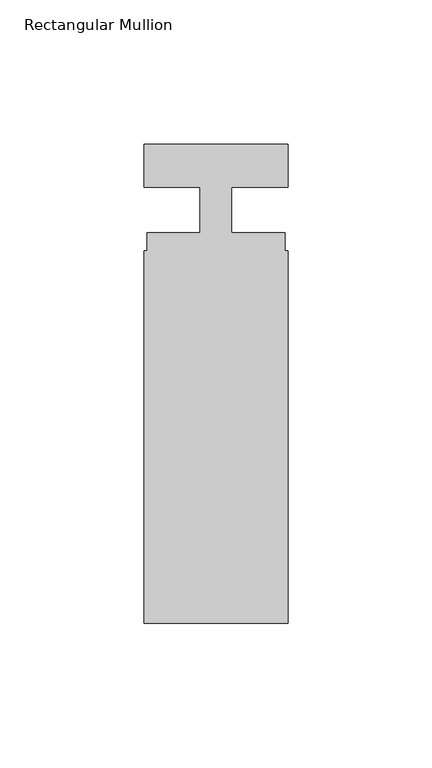
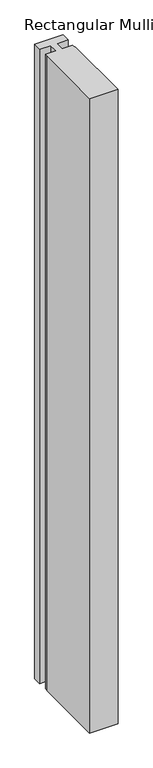
"""IFC4 building model written with IfcOpenShell, lengths in millimetres: member geometry, Rectangular Mullion."""

from ifc_helpers import new_model, si_unit, frame, origin, place, context, project, spatial, polyline, outline, extrude, source, transform, mapped, element, save


def rectangular_mullion_b007cf4e(model_context):
    return source(origin(), model_context, "Body", "SweptSolid", [
        extrude(outline(polyline([(25.0, -140.3), (-25.0, -140.3), (-25.0, -11.0), (-23.9, -11.0), (-23.9, -4.8), (-5.4999998, -4.8), (-5.4999998, 11.0), (-25.0, 11.0), (-25.0, 26.0), (25.0, 26.0), (25.0, 11.0), (5.5, 11.0), (5.5, -4.8), (23.9, -4.8), (23.9, -11.0), (25.0, -11.0), (25.0, -140.3)])), frame((0.0, 0.0, -1175.0), z_axis=(0.0, 0.0, 1.0), x_axis=(1.0, 0.0, 0.0)), (0.0, 0.0, 1.0), 1175.0),
    ])


if __name__ == "__main__":
    model = new_model("IFC4")
    model_context = context("Model", 3, world=origin())
    ifc_project = project(units=[si_unit("LENGTHUNIT", "METRE", prefix="MILLI")], contexts=[model_context])
    site = spatial("IfcSite", under=ifc_project)
    building = spatial("IfcBuilding", under=site)
    placement = place(None, origin())
    rectangular_mullion_shape = rectangular_mullion_b007cf4e(model_context)
    element("IfcMember", 1, ObjectType="Rectangular Mullion", at=placement, inside=building, context=model_context, shape_type="MappedRepresentation", body=[
        mapped(rectangular_mullion_shape, transform((0.0, 0.0, 0.0), x_axis=(1.0, 0.0, 0.0), y_axis=(0.0, 1.0, 0.0), z_axis=(0.0, 0.0, 1.0))),
    ])
    save(model, "model.ifc")
